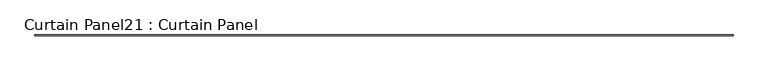
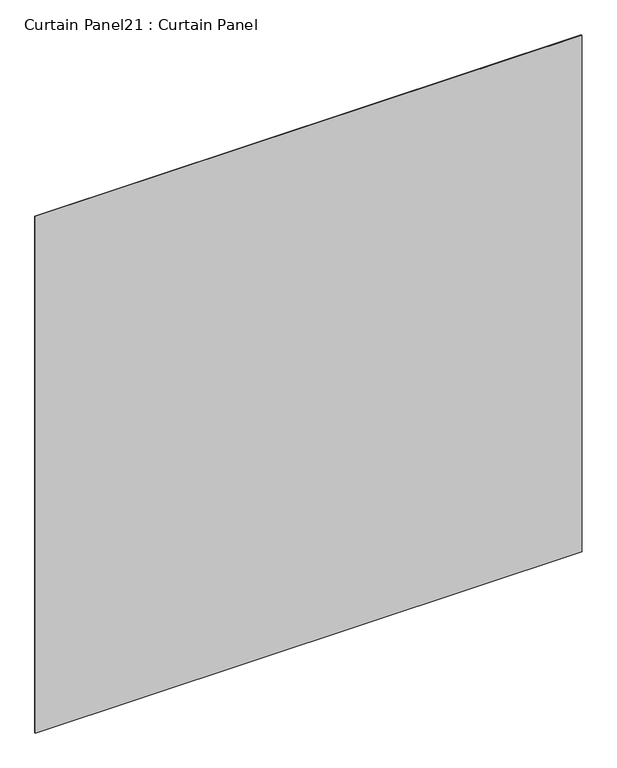
"""IFC4 building model written with IfcOpenShell, lengths in millimetres: plate geometry, Curtain Panel21 : Curtain Panel."""

from ifc_helpers import new_model, si_unit, frame, origin, place, context, project, spatial, polyline, outline, extrude, source, transform, mapped, element, save


def curtain_panel21_curtain_panel_5145cca5(model_context):
    return source(origin(), model_context, "Body", "SweptSolid", [
        extrude(outline(polyline([(696120.4579196, 2971.051883), (690081.8325142, 2971.051883), (690081.8325142, 2977.401883), (696120.4579196, 2977.401883), (696120.4579196, 2971.051883)])), frame((0.0, 0.0, 7186.8515855), z_axis=(0.0, 0.0, 1.0), x_axis=(1.0, 0.0, 0.0)), (0.0, 0.0, 1.0), 6029.3514343),
    ])


if __name__ == "__main__":
    model = new_model("IFC4")
    model_context = context("Model", 3, world=origin())
    ifc_project = project(units=[si_unit("LENGTHUNIT", "METRE", prefix="MILLI")], contexts=[model_context])
    site = spatial("IfcSite", under=ifc_project)
    building = spatial("IfcBuilding", under=site)
    placement = place(None, origin())
    curtain_panel21_curtain_panel_shape = curtain_panel21_curtain_panel_5145cca5(model_context)
    element("IfcPlate", 1, ObjectType="Curtain Panel21 : Curtain Panel", at=placement, inside=building, context=model_context, shape_type="MappedRepresentation", body=[
        mapped(curtain_panel21_curtain_panel_shape, transform((0.0, 0.0, 0.0), x_axis=(1.0, 0.0, 0.0), y_axis=(0.0, 1.0, 0.0), z_axis=(0.0, 0.0, 1.0))),
    ])
    save(model, "model.ifc")
